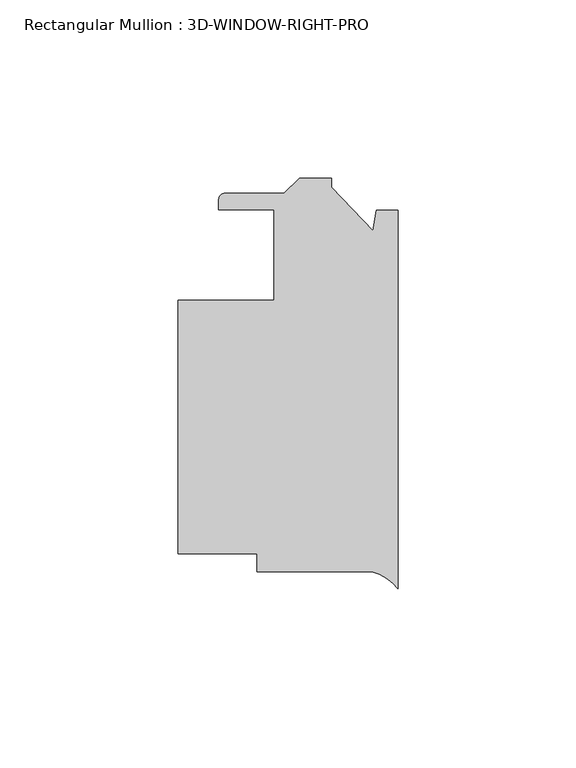
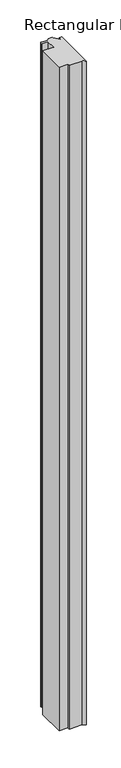
"""IFC4 building model written with IfcOpenShell, lengths in millimetres: member geometry, Rectangular Mullion : 3D-WINDOW-RIGHT-PRO."""

from ifc_helpers import new_model, si_unit, point, frame, frame_2d, origin, place, context, project, spatial, polyline, circle_curve, trimmed, segment, composite_curve, outline, extrude, source, transform, mapped, element, save


def rectangular_mullion_3d_window_right_pro_f14e0a6e(model_context):
    return source(origin(), model_context, "Body", "SweptSolid", [
        extrude(outline(composite_curve([segment(polyline([(-18.6761495, 78.2605726), (-7.0515961, 66.0547915), (-6.0539101, 71.71295), (0.0, 71.71295), (0.0, -34.6041923)]), True, "CONTINUOUS"), segment(trimmed(circle_curve(frame_2d((-10.8196816, -42.9964412)), 13.6928942), [point((0.0, -34.6041923))], [point((-7.2925126, -29.7656275))], True, "CARTESIAN"), True, "CONTINUOUS"), segment(polyline([(-7.2925126, -29.7656275), (-39.6875, -29.7656275), (-39.6875, -24.6856275), (-61.9125, -24.6856275), (-61.9125, 46.4343725), (-34.925, 46.4343725), (-34.925, 71.8343723), (-50.4261495, 71.8343723), (-50.4261495, 74.7553725)]), True, "CONTINUOUS"), segment(trimmed(circle_curve(frame_2d((-48.6481495, 74.7553725)), 1.778), [point((-50.4261495, 74.7553725))], [point((-48.6481495, 76.5333725))], False, "CARTESIAN"), True, "CONTINUOUS"), segment(polyline([(-48.6481495, 76.5333725), (-32.0436417, 76.5333725), (-27.7764417, 80.8005725), (-18.6761495, 80.8005725), (-18.6761495, 78.2605726)]), True, "CONTINUOUS")], self_intersect=False)), frame((0.0, 0.0, -1765.3), z_axis=(0.0, 0.0, 1.0), x_axis=(1.0, 0.0, 0.0)), (0.0, 0.0, 1.0), 1765.3),
    ])


if __name__ == "__main__":
    model = new_model("IFC4")
    model_context = context("Model", 3, world=origin())
    ifc_project = project(units=[si_unit("LENGTHUNIT", "METRE", prefix="MILLI")], contexts=[model_context])
    site = spatial("IfcSite", under=ifc_project)
    building = spatial("IfcBuilding", under=site)
    placement = place(None, origin())
    rectangular_mullion_3d_window_right_pro_shape = rectangular_mullion_3d_window_right_pro_f14e0a6e(model_context)
    element("IfcMember", 1, ObjectType="Rectangular Mullion : 3D-WINDOW-RIGHT-PRO", at=placement, inside=building, context=model_context, shape_type="MappedRepresentation", body=[
        mapped(rectangular_mullion_3d_window_right_pro_shape, transform((0.0, 0.0, 0.0), x_axis=(1.0, 0.0, 0.0), y_axis=(0.0, 1.0, 0.0), z_axis=(0.0, 0.0, 1.0))),
    ])
    save(model, "model.ifc")
